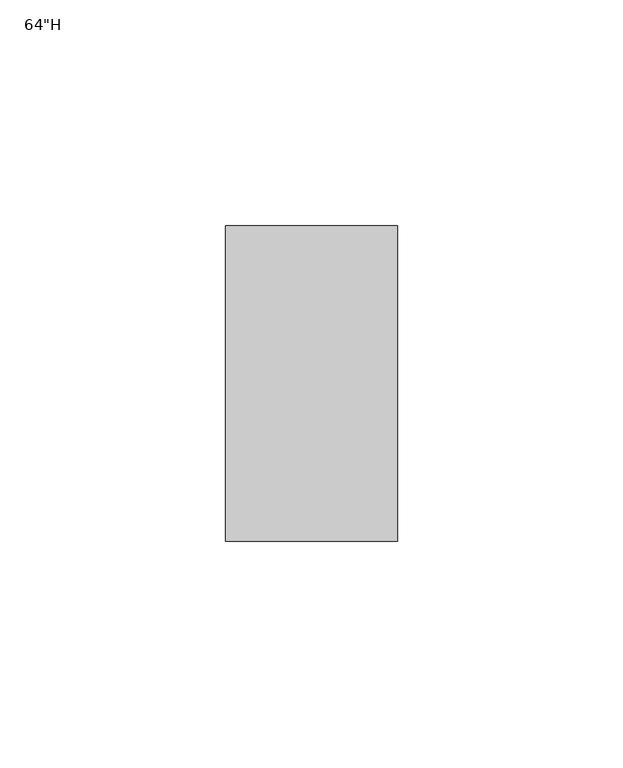
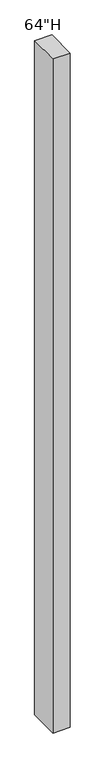
"""IFC4 building model written with IfcOpenShell, lengths in millimetres: furniture geometry."""

from ifc_helpers import new_model, si_unit, frame, origin, place, context, project, spatial, polyline, outline, extrude, source, transform, mapped, element, save


def furniture_0f88dc7a(model_context):
    return source(origin(), model_context, "Body", "SweptSolid", [
        extrude(outline(polyline([(-19.05, 25.4), (19.05, 25.4), (19.05, -44.45), (-19.05, -44.45), (-19.05, 25.4)])), frame((0.0, 0.0, 527.1593787), z_axis=(0.0, 0.0, 1.0), x_axis=(1.0, 0.0, 0.0)), (0.0, 0.0, 1.0), 1572.7164062),
    ])


if __name__ == "__main__":
    model = new_model("IFC4")
    model_context = context("Model", 3, world=origin())
    ifc_project = project(units=[si_unit("LENGTHUNIT", "METRE", prefix="MILLI")], contexts=[model_context])
    site = spatial("IfcSite", under=ifc_project)
    building = spatial("IfcBuilding", under=site)
    placement = place(None, origin())
    furniture_shape = furniture_0f88dc7a(model_context)
    element("IfcFurniture", 1, ObjectType="64\"H", at=placement, inside=building, context=model_context, shape_type="MappedRepresentation", body=[
        mapped(furniture_shape, transform((0.0, 0.0, 0.0), x_axis=(1.0, 0.0, 0.0), y_axis=(0.0, 1.0, 0.0), z_axis=(0.0, 0.0, 1.0))),
    ])
    save(model, "model.ifc")
